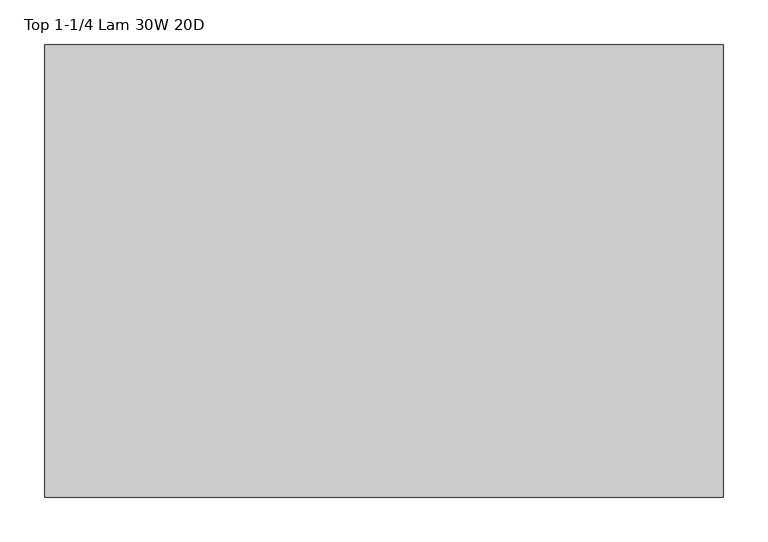
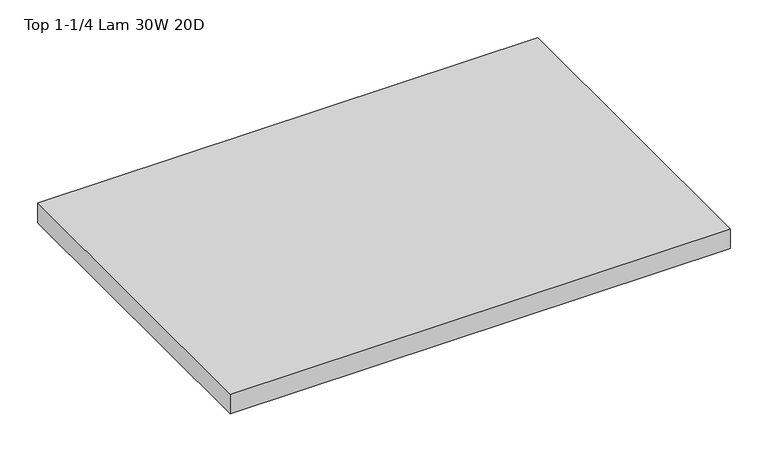
"""IFC4 building model written with IfcOpenShell, lengths in millimetres: furniture geometry, Top 1-1/4 Lam 30W 20D."""

from ifc_helpers import new_model, si_unit, frame, origin, place, context, project, spatial, polyline, outline, extrude, source, transform, mapped, element, save


def top_1_1_4_lam_30w_20d_f2546a92(model_context):
    return source(origin(), model_context, "Body", "SweptSolid", [
        extrude(outline(polyline([(0.0, 508.0), (762.0, 508.0), (762.0, 0.0), (0.0, 0.0), (0.0, 508.0)])), frame((0.0, 0.0, 688.9750242), z_axis=(0.0, 0.0, 1.0), x_axis=(1.0, 0.0, 0.0)), (0.0, 0.0, 1.0), 31.75),
    ])


if __name__ == "__main__":
    model = new_model("IFC4")
    model_context = context("Model", 3, world=origin())
    ifc_project = project(units=[si_unit("LENGTHUNIT", "METRE", prefix="MILLI")], contexts=[model_context])
    site = spatial("IfcSite", under=ifc_project)
    building = spatial("IfcBuilding", under=site)
    placement = place(None, origin())
    top_1_1_4_lam_30w_20d_shape = top_1_1_4_lam_30w_20d_f2546a92(model_context)
    element("IfcFurniture", 1, ObjectType="Top 1-1/4 Lam 30W 20D", at=placement, inside=building, context=model_context, shape_type="MappedRepresentation", body=[
        mapped(top_1_1_4_lam_30w_20d_shape, transform((0.0, 0.0, 0.0), x_axis=(1.0, 0.0, 0.0), y_axis=(0.0, 1.0, 0.0), z_axis=(0.0, 0.0, 1.0))),
    ])
    save(model, "model.ifc")
